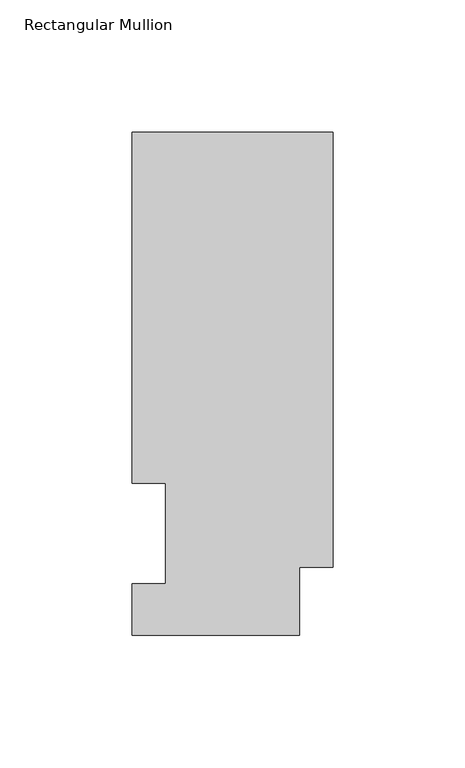
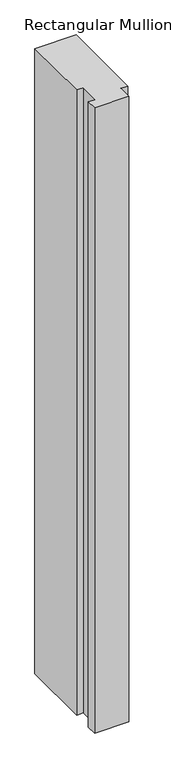
"""IFC4 building model written with IfcOpenShell, lengths in millimetres: member geometry, Rectangular Mullion."""

from ifc_helpers import new_model, si_unit, frame, origin, place, context, project, spatial, polyline, outline, extrude, source, transform, mapped, element, save


def rectangular_mullion_ee0c0a2f(model_context):
    return source(origin(), model_context, "Body", "SweptSolid", [
        extrude(outline(polyline([(0.0, 190.5896937), (0.0, 25.8960938), (-12.7, 25.8960938), (-12.7, 0.0134937), (-76.2, 0.0134937), (-76.2, 19.5460938), (-63.5, 19.5460938), (-63.5, 57.6460937), (-76.2, 57.6460937), (-76.2, 190.5896937), (0.0, 190.5896937)])), frame((0.0, 0.0, -1219.2), z_axis=(0.0, 0.0, 1.0), x_axis=(1.0, 0.0, 0.0)), (0.0, 0.0, 1.0), 1219.2),
    ])


if __name__ == "__main__":
    model = new_model("IFC4")
    model_context = context("Model", 3, world=origin())
    ifc_project = project(units=[si_unit("LENGTHUNIT", "METRE", prefix="MILLI")], contexts=[model_context])
    site = spatial("IfcSite", under=ifc_project)
    building = spatial("IfcBuilding", under=site)
    placement = place(None, origin())
    rectangular_mullion_shape = rectangular_mullion_ee0c0a2f(model_context)
    element("IfcMember", 1, ObjectType="Rectangular Mullion", at=placement, inside=building, context=model_context, shape_type="MappedRepresentation", body=[
        mapped(rectangular_mullion_shape, transform((0.0, 0.0, 0.0), x_axis=(1.0, 0.0, 0.0), y_axis=(0.0, 1.0, 0.0), z_axis=(0.0, 0.0, 1.0))),
    ])
    save(model, "model.ifc")
